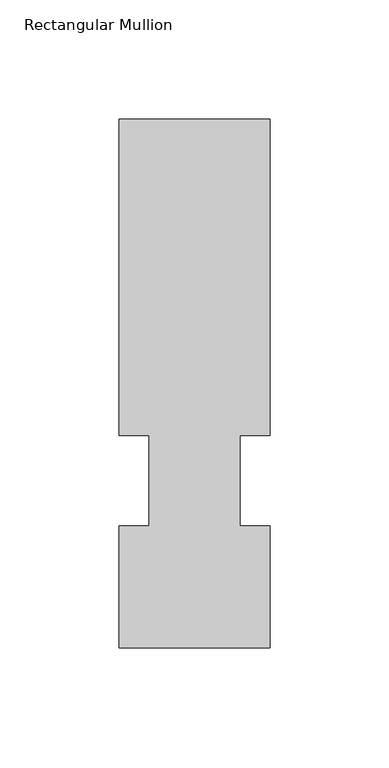
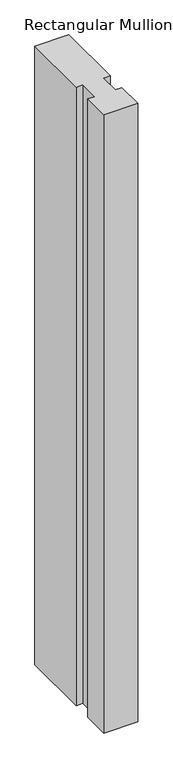
"""IFC4 building model written with IfcOpenShell, lengths in millimetres: member geometry, Rectangular Mullion."""

from ifc_helpers import new_model, si_unit, frame, origin, place, context, project, spatial, polyline, outline, extrude, source, transform, mapped, element, save


def rectangular_mullion_e7c70bed(model_context):
    return source(origin(), model_context, "Body", "SweptSolid", [
        extrude(outline(polyline([(31.75, 222.5381313), (31.75, 89.5945312), (19.05, 89.5945313), (19.05, 51.4945313), (31.75, 51.4945313), (31.75, 0.2119313), (-31.75, 0.2119313), (-31.75, 51.4945313), (-19.05, 51.4945313), (-19.05, 89.5945313), (-31.7500006, 89.5945313), (-31.7500006, 222.5381313), (31.75, 222.5381313)])), frame((0.0, 0.0, -1219.2), z_axis=(0.0, 0.0, 1.0), x_axis=(1.0, 0.0, 0.0)), (0.0, 0.0, 1.0), 1219.2),
    ])


if __name__ == "__main__":
    model = new_model("IFC4")
    model_context = context("Model", 3, world=origin())
    ifc_project = project(units=[si_unit("LENGTHUNIT", "METRE", prefix="MILLI")], contexts=[model_context])
    site = spatial("IfcSite", under=ifc_project)
    building = spatial("IfcBuilding", under=site)
    placement = place(None, origin())
    rectangular_mullion_shape = rectangular_mullion_e7c70bed(model_context)
    element("IfcMember", 1, ObjectType="Rectangular Mullion", at=placement, inside=building, context=model_context, shape_type="MappedRepresentation", body=[
        mapped(rectangular_mullion_shape, transform((0.0, 0.0, 0.0), x_axis=(1.0, 0.0, 0.0), y_axis=(0.0, 1.0, 0.0), z_axis=(0.0, 0.0, 1.0))),
    ])
    save(model, "model.ifc")
